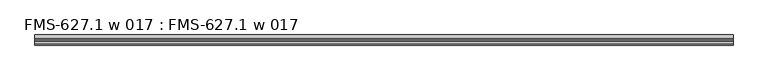
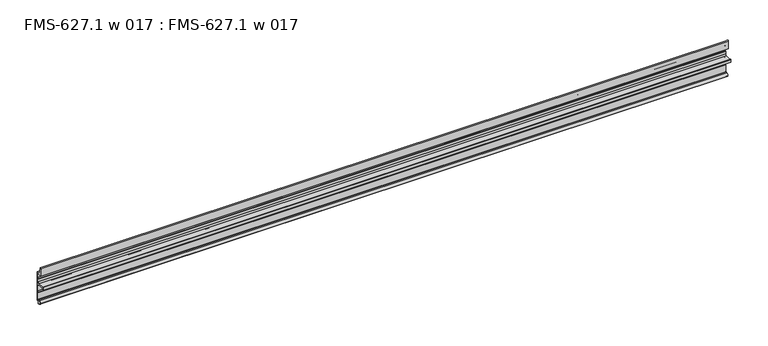
"""IFC4 building model written with IfcOpenShell, lengths in millimetres: proxy geometry, FMS-627.1 w 017 : FMS-627.1 w 017."""

from ifc_helpers import new_model, si_unit, point, frame, frame_2d, origin, place, context, project, spatial, polyline, circle_curve, trimmed, segment, composite_curve, outline, extrude, source, transform, mapped, element, save


def fms_627_1_w_017_fms_627_1_w_017_fc071134(model_context):
    return source(origin(), model_context, "Body", "SweptSolid", [
        extrude(outline(composite_curve([segment(polyline([(0.0, 3.5976257), (-1.3075622, 3.5976257)]), True, "CONTINUOUS"), segment(trimmed(circle_curve(frame_2d((-1.3075622, 2.0101257)), 1.5875), [point((-1.3075622, 3.5976257))], [point((-2.8950622, 2.0101257))], True, "CARTESIAN"), True, "CONTINUOUS"), segment(polyline([(-2.8950622, 2.0101257), (-2.8950622, 0.5821892)]), True, "CONTINUOUS"), segment(trimmed(circle_curve(frame_2d((-3.2390394, 0.3648147)), 0.4069054), [point((-2.8950622, 0.5821892))], [point((-3.4192677, 0.0))], False, "CARTESIAN"), True, "CONTINUOUS"), segment(polyline([(-3.4192677, 0.0), (-5.4099313, 0.6213088)]), True, "CONTINUOUS"), segment(trimmed(circle_curve(frame_2d((-4.5018192, 3.5308855)), 3.048), [point((-5.4099313, 0.6213088))], [point((-7.1037699, 1.9433855))], False, "CARTESIAN"), True, "CONTINUOUS"), segment(trimmed(circle_curve(frame_2d((-4.5018192, 3.5308855)), 3.048), [point((-7.1037699, 1.9433855))], [point((-5.4099313, 6.4404622))], False, "CARTESIAN"), True, "CONTINUOUS"), segment(polyline([(-5.4099313, 6.4404622), (-3.594244, 7.0071589)]), True, "CONTINUOUS"), segment(trimmed(circle_curve(frame_2d((-3.2930749, 6.7333166)), 0.4070533), [point((-3.594244, 7.0071589))], [point((-2.8945091, 6.6506262))], False, "CARTESIAN"), True, "CONTINUOUS"), segment(polyline([(-2.8945091, 6.6506262), (-2.8345669, 5.8400772)]), True, "CONTINUOUS"), segment(trimmed(circle_curve(frame_2d((-2.2172671, 6.0403604)), 0.6489779), [point((-2.8345669, 5.8400772))], [point((-1.5875, 5.8836257))], True, "CARTESIAN"), True, "CONTINUOUS"), segment(polyline([(-1.5875, 5.8836257), (-1.5875, 17.0712378), (-1.0783361, 17.6781651), (-1.0783361, 19.6174727), (-1.5875, 20.2462378), (-1.5875, 28.7874992)]), True, "CONTINUOUS"), segment(trimmed(circle_curve(frame_2d((-3.6195, 28.7874992)), 2.032), [point((-1.5875, 28.7874992))], [point((-3.6195, 30.8194992))], True, "CARTESIAN"), True, "CONTINUOUS"), segment(polyline([(-3.6195, 30.8194992), (-13.9023465, 30.8194992)]), True, "CONTINUOUS"), segment(trimmed(circle_curve(frame_2d((-15.4225031, 31.2406846)), 1.5774262), [point((-13.9023465, 30.8194992))], [point((-15.4300436, 29.6632764))], False, "CARTESIAN"), True, "CONTINUOUS"), segment(polyline([(-15.4300436, 29.6632764), (-15.4300436, 34.2236219)]), True, "CONTINUOUS"), segment(trimmed(circle_curve(frame_2d((-15.4225031, 32.6462138)), 1.5774262), [point((-15.4300436, 34.2236219))], [point((-13.9023465, 33.0673992))], False, "CARTESIAN"), True, "CONTINUOUS"), segment(polyline([(-13.9023465, 33.0673992), (-3.6195, 33.0673992)]), True, "CONTINUOUS"), segment(trimmed(circle_curve(frame_2d((-3.6195, 35.0993992)), 2.032), [point((-3.6195, 33.0673992))], [point((-1.5875, 35.0993992))], True, "CARTESIAN"), True, "CONTINUOUS"), segment(polyline([(-1.5875, 35.0993992), (-1.5875, 39.0871991), (-1.0783361, 39.7141868), (-1.0783361, 41.6554013), (-1.5875, 42.2621991), (-1.5875, 47.8171791)]), True, "CONTINUOUS"), segment(trimmed(circle_curve(frame_2d((-2.38252, 47.8171791)), 0.79502), [point((-1.5875, 47.8171791))], [point((-2.38252, 48.6121991))], True, "CARTESIAN"), True, "CONTINUOUS"), segment(polyline([(-2.38252, 48.6121991), (-9.525, 48.6121991), (-9.525, 60.7630861)]), True, "CONTINUOUS"), segment(trimmed(circle_curve(frame_2d((-8.3643154, 59.5243243)), 1.6975628), [point((-9.525, 60.7630861))], [point((-7.2036308, 60.7630861))], False, "CARTESIAN"), True, "CONTINUOUS"), segment(polyline([(-7.2036308, 60.7630861), (-5.392657, 50.1869991), (0.0, 50.1869991), (0.0, 3.5976257)]), True, "CONTINUOUS")], self_intersect=False)), frame((0.0, 0.0, 0.0), z_axis=(1.0, 0.0, 0.0), x_axis=(0.0, 1.0, 0.0)), (0.0, 0.0, 1.0), 1063.625),
    ])


if __name__ == "__main__":
    model = new_model("IFC4")
    model_context = context("Model", 3, world=origin())
    ifc_project = project(units=[si_unit("LENGTHUNIT", "METRE", prefix="MILLI")], contexts=[model_context])
    site = spatial("IfcSite", under=ifc_project)
    building = spatial("IfcBuilding", under=site)
    placement = place(None, origin())
    fms_627_1_w_017_fms_627_1_w_017_shape = fms_627_1_w_017_fms_627_1_w_017_fc071134(model_context)
    element("IfcBuildingElementProxy", 1, Name="FMS-627.1 w 017 : FMS-627.1 w 017", ObjectType="FMS-627.1 w 017 : FMS-627.1 w 017", at=placement, inside=building, context=model_context, shape_type="MappedRepresentation", body=[
        mapped(fms_627_1_w_017_fms_627_1_w_017_shape, transform((0.0, 0.0, 0.0), x_axis=(1.0, 0.0, 0.0), y_axis=(0.0, 1.0, 0.0), z_axis=(0.0, 0.0, 1.0))),
    ])
    save(model, "model.ifc")
